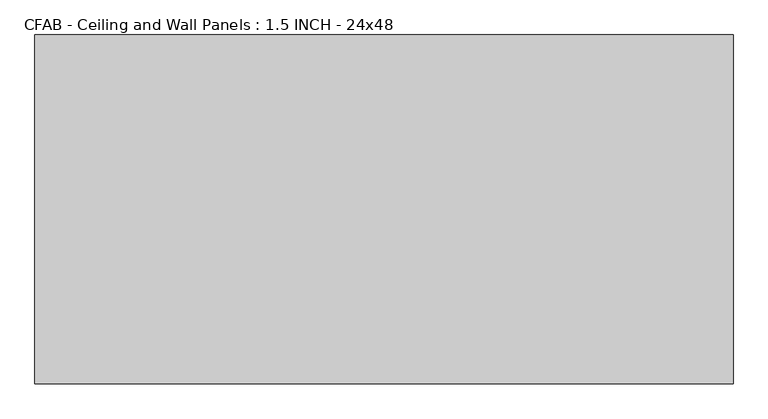
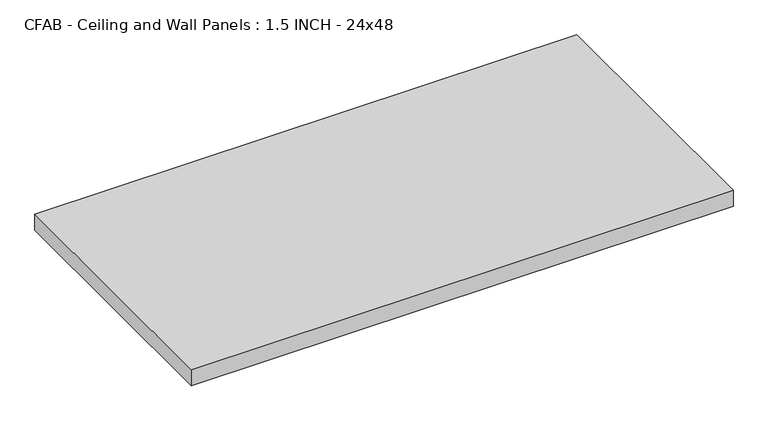
"""IFC4 building model written with IfcOpenShell, lengths in millimetres: proxy geometry, CFAB - Ceiling and Wall Panels : 1.5 INCH - 24x48."""

from ifc_helpers import new_model, si_unit, origin, origin_with_axes, place, context, project, spatial, polyline, outline, extrude, source, transform, mapped, element, save


def cfab_ceiling_and_wall_panels_1_5_inch_24x48_e74e0307(model_context):
    return source(origin(), model_context, "Body", "SweptSolid", [
        extrude(outline(polyline([(-609.6, 304.8), (609.6, 304.8), (609.6, -304.8), (-609.6, -304.8), (-609.6, 304.8)])), origin_with_axes(), (0.0, 0.0, 1.0), 38.1),
    ])


if __name__ == "__main__":
    model = new_model("IFC4")
    model_context = context("Model", 3, world=origin())
    ifc_project = project(units=[si_unit("LENGTHUNIT", "METRE", prefix="MILLI")], contexts=[model_context])
    site = spatial("IfcSite", under=ifc_project)
    building = spatial("IfcBuilding", under=site)
    placement = place(None, origin())
    cfab_ceiling_and_wall_panels_1_5_inch_24x48_shape = cfab_ceiling_and_wall_panels_1_5_inch_24x48_e74e0307(model_context)
    element("IfcBuildingElementProxy", 1, Name="CFAB - Ceiling and Wall Panels : 1.5 INCH - 24x48", ObjectType="CFAB - Ceiling and Wall Panels : 1.5 INCH - 24x48", at=placement, inside=building, context=model_context, shape_type="MappedRepresentation", body=[
        mapped(cfab_ceiling_and_wall_panels_1_5_inch_24x48_shape, transform((0.0, 0.0, 0.0), x_axis=(1.0, 0.0, 0.0), y_axis=(0.0, 1.0, 0.0), z_axis=(0.0, 0.0, 1.0))),
    ])
    save(model, "model.ifc")
